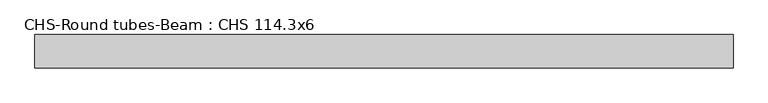
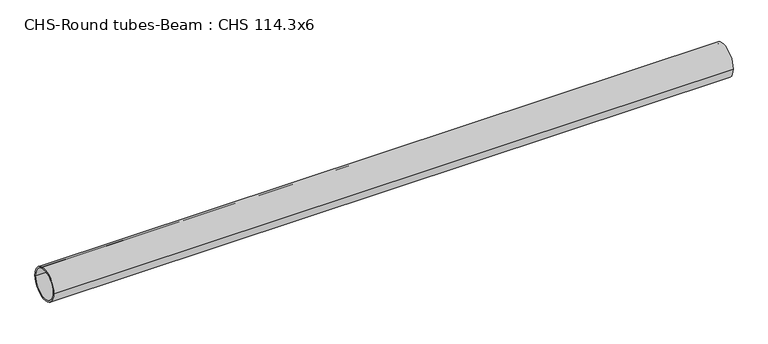
"""IFC4 building model written with IfcOpenShell, lengths in millimetres: beam geometry, CHS-Round tubes-Beam : CHS 114.3x6."""

from ifc_helpers import new_model, si_unit, point, frame, origin, origin_2d, place, context, project, spatial, circle_curve, trimmed, segment, composite_curve, outline, extrude, source, transform, mapped, element, save


def chs_round_tubes_beam_chs_114_3x6_209ee919(model_context):
    return source(origin(), model_context, "Body", "SweptSolid", [
        extrude(outline(composite_curve([segment(trimmed(circle_curve(origin_2d(), 57.15), [point((57.15, 0.0))], [point((-57.15, 0.0))], False, "CARTESIAN"), True, "CONTINUOUS"), segment(trimmed(circle_curve(origin_2d(), 57.15), [point((-57.15, 0.0))], [point((57.15, 0.0))], False, "CARTESIAN"), True, "CONTINUOUS")], self_intersect=False), holes=[composite_curve([segment(trimmed(circle_curve(origin_2d(), 51.15), [point((51.15, 0.0))], [point((-51.15, 0.0))], True, "CARTESIAN"), True, "CONTINUOUS"), segment(trimmed(circle_curve(origin_2d(), 51.15), [point((-51.15, 0.0))], [point((51.15, 0.0))], True, "CARTESIAN"), True, "CONTINUOUS")], self_intersect=False)]), frame((-1141.9526896, 0.0, 0.0), z_axis=(1.0, 0.0, 0.0), x_axis=(0.0, 1.0, 0.0)), (0.0, 0.0, 1.0), 2380.8543132),
    ])


if __name__ == "__main__":
    model = new_model("IFC4")
    model_context = context("Model", 3, world=origin())
    ifc_project = project(units=[si_unit("LENGTHUNIT", "METRE", prefix="MILLI")], contexts=[model_context])
    site = spatial("IfcSite", under=ifc_project)
    building = spatial("IfcBuilding", under=site)
    placement = place(None, origin())
    chs_round_tubes_beam_chs_114_3x6_shape = chs_round_tubes_beam_chs_114_3x6_209ee919(model_context)
    element("IfcBeam", 1, ObjectType="CHS-Round tubes-Beam : CHS 114.3x6", at=placement, inside=building, context=model_context, shape_type="MappedRepresentation", body=[
        mapped(chs_round_tubes_beam_chs_114_3x6_shape, transform((0.0, 0.0, 0.0), x_axis=(1.0, 0.0, 0.0), y_axis=(0.0, 1.0, 0.0), z_axis=(0.0, 0.0, 1.0))),
    ])
    save(model, "model.ifc")
